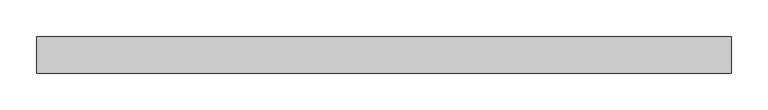
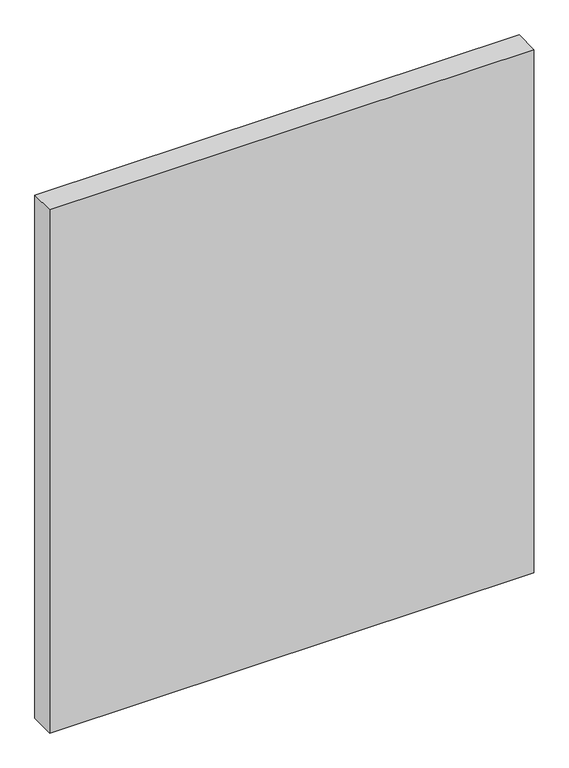
"""IFC4 building model written with IfcOpenShell, lengths in millimetres: plate geometry."""

from ifc_helpers import new_model, si_unit, origin, origin_with_axes, place, context, project, spatial, polyline, outline, extrude, source, transform, mapped, element, save


def plate_75760212(model_context):
    return source(origin(), model_context, "Body", "SweptSolid", [
        extrude(outline(polyline([(475.0, -25.0), (-475.0, -25.0), (-475.0, 25.0), (475.0, 25.0), (475.0, -25.0)])), origin_with_axes(), (0.0, 0.0, 1.0), 1085.0),
    ])


if __name__ == "__main__":
    model = new_model("IFC4")
    model_context = context("Model", 3, world=origin())
    ifc_project = project(units=[si_unit("LENGTHUNIT", "METRE", prefix="MILLI")], contexts=[model_context])
    site = spatial("IfcSite", under=ifc_project)
    building = spatial("IfcBuilding", under=site)
    placement = place(None, origin())
    plate_shape = plate_75760212(model_context)
    element("IfcPlate", 1, at=placement, inside=building, context=model_context, shape_type="MappedRepresentation", body=[
        mapped(plate_shape, transform((0.0, 0.0, 0.0), x_axis=(1.0, 0.0, 0.0), y_axis=(0.0, 1.0, 0.0), z_axis=(0.0, 0.0, 1.0))),
    ])
    save(model, "model.ifc")
